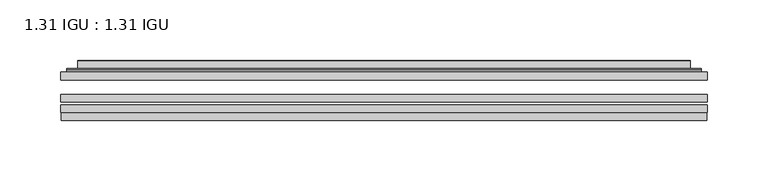
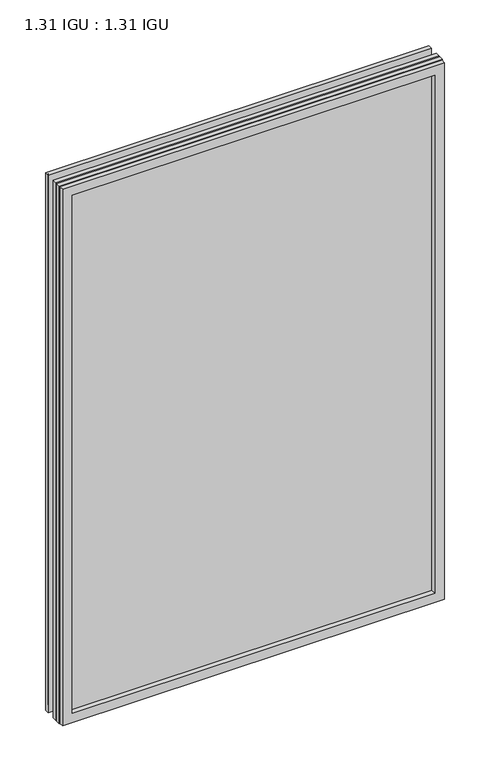
"""IFC4 building model written with IfcOpenShell, lengths in millimetres: plate geometry, 1.31 IGU : 1.31 IGU."""

from ifc_helpers import new_model, si_unit, frame, origin, place, context, project, spatial, polyline, ellipse_curve, outline, extrude, faceted_brep, source, transform, mapped, element, save
from ifc_brep_helpers import plane_surface, cylinder_surface, advanced_brep


def plate_1_31_igu_1_31_igu_0c1957d6(model_context):
    return source(origin(), model_context, "Body", "SolidModel", [
        extrude(outline(polyline([(266.714175, -63.59525), (266.714175, -69.94525), (-266.7, -69.94525), (-266.7, -63.59525), (266.714175, -63.59525)])), frame((0.0, 0.0, -14.2875), z_axis=(0.0, 0.0, 1.0), x_axis=(1.0, 0.0, 0.0)), (0.0, 0.0, 1.0), 790.596575),
        extrude(outline(polyline([(-266.7, -78.58125), (-266.7, -72.230745), (266.714175, -72.230745), (266.714175, -78.58125), (-266.7, -78.58125)])), frame((0.0, 0.0, -14.2875), z_axis=(0.0, 0.0, 1.0), x_axis=(1.0, 0.0, 0.0)), (0.0, 0.0, 1.0), 790.596575),
        extrude(outline(polyline([(266.714175, -45.25645), (266.714175, -51.60645), (-266.7, -51.60645), (-266.7, -45.25645), (266.714175, -45.25645)])), frame((0.0, 0.0, -14.2875), z_axis=(0.0, 0.0, 1.0), x_axis=(1.0, 0.0, 0.0)), (0.0, 0.0, 1.0), 790.596575),
        faceted_brep([(-265.9998142, -84.93125, 775.6050914), (-265.9998142, -78.58125, 775.6050914), (-265.9998142, -78.58125, -13.5873142), (-265.9998142, -84.93125, -13.5873142), (265.9998142, -78.58125, -13.5873142), (265.9998142, -84.93125, -13.5873142), (265.9998142, -78.58125, 775.6050914), (265.9998142, -84.93125, 775.6050914), (-251.5147559, -78.58125, 0.8977441), (251.5147559, -78.58125, 0.8977441), (251.5147559, -78.58125, 761.120033), (-251.5147559, -78.58125, 761.120033), (-252.4071902, -84.93125, 762.0124673), (252.4071902, -84.93125, 762.0124673), (252.4071902, -84.93125, 0.0053098), (-252.4071902, -84.93125, 0.0053098)], [[[0, 1, 2, 3]], [[3, 2, 4, 5]], [[5, 4, 6, 7]], [[1, 6, 4, 2], [8, 9, 10, 11]], [[7, 6, 1, 0]], [[3, 5, 7, 0], [12, 13, 14, 15]], [[11, 12, 15, 8]], [[8, 15, 14, 9]], [[9, 14, 13, 10]], [[10, 13, 12, 11]]]),
        advanced_brep(
        [(-259.458719, -45.25645, 769.0639962), (-261.8129244, -43.2667833, 771.4182015), (-261.8129244, -43.2667833, -9.4004244), (-259.458719, -45.25645, -7.046219), (-250.3843939, -41.416413, 759.9896711), (-245.4495621, -45.25645, 755.0548392), (-245.4495621, -45.25645, 6.9629379), (-250.3843939, -41.416413, 2.0281061), (-251.4164217, -36.0191819, 761.0216988), (-251.4164217, -36.0191819, 0.9960783), (-252.4070784, -35.6202069, 762.0123556), (-252.4070784, -35.6202069, 0.0054216), (-252.4070784, -42.08145, 762.0123556), (-252.4070784, -42.08145, 0.0054216), (-260.8111349, -42.08145, 770.416412), (-260.8111349, -42.08145, -8.3986349), (261.8129244, -43.2667833, -9.4004244), (259.458719, -45.25645, -7.046219), (245.4495621, -45.25645, 6.9629379), (250.3843939, -41.416413, 2.0281061), (251.4164217, -36.0191819, 0.9960783), (252.4070784, -35.6202069, 0.0054216), (252.4070784, -42.08145, 0.0054216), (260.8111349, -42.08145, -8.3986349), (261.8129244, -43.2667833, 771.4182015), (259.458719, -45.25645, 769.0639962), (245.4495621, -45.25645, 755.0548392), (250.3843939, -41.416413, 759.9896711), (251.4164217, -36.0191819, 761.0216988), (252.4070784, -35.6202069, 762.0123556), (252.4070784, -42.08145, 762.0123556), (260.8111349, -42.08145, 770.416412)],
        [
            (0, 1, ellipse_curve(frame((-259.458719, -42.86885, 769.0639962), z_axis=(-0.7071067811865475, 0.0, -0.7071067811865475), x_axis=(-0.7071067811865474, 0.0, 0.7071067811865476)), 3.3765763, 2.3876)),
            (1, 2),
            (2, 3, ellipse_curve(frame((-259.458719, -42.86885, -7.046219), z_axis=(-0.7071067811865475, 0.0, 0.7071067811865475), x_axis=(0.7071067811865474, 0.0, 0.7071067811865476)), 3.3765763, 2.3876)),
            (3, 0),
            (4, 5),
            (5, 6),
            (6, 7),
            (7, 4),
            (8, 4),
            (7, 9),
            (9, 8),
            (10, 8, ellipse_curve(frame((-252.0401219, -36.1384423, 761.645399), z_axis=(-0.7071067811865475, 0.0, -0.7071067811865475), x_axis=(-0.7071067811865474, 0.0, 0.7071067811865476)), 0.8980256, 0.635)),
            (9, 11, ellipse_curve(frame((-252.0401219, -36.1384423, 0.3723781), z_axis=(-0.7071067811865475, 0.0, 0.7071067811865475), x_axis=(0.7071067811865474, 0.0, 0.7071067811865476)), 0.8980256, 0.635)),
            (11, 10),
            (12, 10),
            (11, 13),
            (13, 12),
            (1, 14, ellipse_curve(frame((-260.8111349, -43.09745, 770.416412), z_axis=(-0.7071067811865475, 0.0, -0.7071067811865475), x_axis=(-0.7071067811865474, 0.0, 0.7071067811865476)), 1.436841, 1.016)),
            (14, 15),
            (15, 2, ellipse_curve(frame((-260.8111349, -43.09745, -8.3986349), z_axis=(-0.7071067811865475, 0.0, 0.7071067811865475), x_axis=(0.7071067811865474, 0.0, 0.7071067811865476)), 1.436841, 1.016)),
            (2, 16),
            (16, 17, ellipse_curve(frame((259.458719, -42.86885, -7.046219), z_axis=(-0.7071067811865475, 0.0, -0.7071067811865475), x_axis=(-0.7071067811865476, 0.0, 0.7071067811865474)), 3.3765763, 2.3876)),
            (17, 3),
            (6, 18),
            (18, 19),
            (19, 7),
            (19, 20),
            (20, 9),
            (20, 21, ellipse_curve(frame((252.0401219, -36.1384423, 0.3723781), z_axis=(-0.7071067811865475, 0.0, -0.7071067811865475), x_axis=(-0.7071067811865476, 0.0, 0.7071067811865474)), 0.8980256, 0.635)),
            (21, 11),
            (21, 22),
            (22, 13),
            (15, 23),
            (23, 16, ellipse_curve(frame((260.8111349, -43.09745, -8.3986349), z_axis=(-0.7071067811865475, 0.0, -0.7071067811865475), x_axis=(-0.7071067811865476, 0.0, 0.7071067811865474)), 1.436841, 1.016)),
            (16, 24),
            (24, 25, ellipse_curve(frame((259.458719, -42.86885, 769.0639962), z_axis=(0.7071067811865475, 0.0, -0.7071067811865475), x_axis=(-0.7071067811865474, 0.0, -0.7071067811865476)), 3.3765763, 2.3876)),
            (25, 17),
            (18, 26),
            (26, 27),
            (27, 19),
            (27, 28),
            (28, 20),
            (28, 29, ellipse_curve(frame((252.0401219, -36.1384423, 761.645399), z_axis=(0.7071067811865475, 0.0, -0.7071067811865475), x_axis=(-0.7071067811865474, 0.0, -0.7071067811865476)), 0.8980256, 0.635)),
            (29, 21),
            (29, 30),
            (30, 22),
            (23, 31),
            (31, 24, ellipse_curve(frame((260.8111349, -43.09745, 770.416412), z_axis=(0.7071067811865475, 0.0, -0.7071067811865475), x_axis=(-0.7071067811865474, 0.0, -0.7071067811865476)), 1.436841, 1.016)),
            (24, 1),
            (0, 25),
            (5, 26),
            (4, 27),
            (8, 28),
            (10, 29),
            (12, 30),
            (14, 31),
        ],
        [
            cylinder_surface(frame((-259.458719, -42.86885, 793.7677772), z_axis=(0.0, 0.0, 1.0), x_axis=(-1.0, 0.0, 0.0)), 2.3876),
            plane_surface(frame((-245.4495621, -45.25645, 755.0548392), z_axis=(0.6141233906514794, 0.7892100234124821, 0.0), x_axis=(0.0, 0.0, -1.0))),
            plane_surface(frame((-250.3843939, -41.416413, 759.9896711), z_axis=(0.9822050625507729, 0.18781164793386076, 0.0), x_axis=(0.0, 0.0, -1.0))),
            cylinder_surface(frame((-252.0401219, -36.1384423, 793.7677772), z_axis=(0.0, 0.0, 1.0), x_axis=(-1.0, 0.0, 0.0)), 0.635),
            plane_surface(frame((-252.4070784, -35.6202069, 762.0123556), z_axis=(-1.0, 0.0, 0.0), x_axis=(0.0, 0.0, -1.0))),
            cylinder_surface(frame((-260.8111349, -43.09745, 793.7677772), z_axis=(0.0, 0.0, 1.0), x_axis=(-1.0, 0.0, 0.0)), 1.016),
            cylinder_surface(frame((-284.1625, -42.86885, -7.046219), z_axis=(-1.0, 0.0, 0.0), x_axis=(0.0, 0.0, -1.0)), 2.3876),
            plane_surface(frame((-245.4495621, -45.25645, 6.9629379), z_axis=(0.0, 0.7892100234124841, 0.6141233906514768), x_axis=(1.0, 0.0, 0.0))),
            plane_surface(frame((-250.3843939, -41.416413, 2.0281061), z_axis=(0.0, 0.18781164793386393, 0.9822050625507723), x_axis=(1.0, 0.0, 0.0))),
            cylinder_surface(frame((-284.1625, -36.1384423, 0.3723781), z_axis=(-1.0, 0.0, 0.0), x_axis=(0.0, 0.0, -1.0)), 0.635),
            plane_surface(frame((-252.4070784, -35.6202069, 0.0054216), z_axis=(0.0, 0.0, -1.0), x_axis=(1.0, 0.0, 0.0))),
            cylinder_surface(frame((-284.1625, -43.09745, -8.3986349), z_axis=(-1.0, 0.0, 0.0), x_axis=(0.0, 0.0, -1.0)), 1.016),
            cylinder_surface(frame((259.458719, -42.86885, -31.75), z_axis=(0.0, 0.0, -1.0), x_axis=(1.0, 0.0, 0.0)), 2.3876),
            plane_surface(frame((245.4495621, -45.25645, 6.9629379), z_axis=(-0.6141233906514743, 0.7892100234124861, 0.0), x_axis=(0.0, 0.0, 1.0))),
            plane_surface(frame((250.3843939, -41.416413, 2.0281061), z_axis=(-0.9822050625507718, 0.1878116479338671, 0.0), x_axis=(0.0, 0.0, 1.0))),
            cylinder_surface(frame((252.0401219, -36.1384423, -31.75), z_axis=(0.0, 0.0, -1.0), x_axis=(1.0, 0.0, 0.0)), 0.635),
            plane_surface(frame((252.4070784, -35.6202069, 0.0054216), z_axis=(1.0, 0.0, 0.0), x_axis=(0.0, 0.0, 1.0))),
            cylinder_surface(frame((260.8111349, -43.09745, -31.75), z_axis=(0.0, 0.0, -1.0), x_axis=(1.0, 0.0, 0.0)), 1.016),
            cylinder_surface(frame((284.1625, -42.86885, 769.0639962), z_axis=(1.0, 0.0, 0.0), x_axis=(0.0, 0.0, 1.0)), 2.3876),
            plane_surface(frame((259.458719, -45.25645, 769.0639962), z_axis=(0.0, -1.0, 0.0), x_axis=(-1.0, 0.0, 0.0))),
            plane_surface(frame((245.4495621, -45.25645, 755.0548392), z_axis=(0.0, 0.7892100234124841, -0.6141233906514768), x_axis=(-1.0, 0.0, 0.0))),
            plane_surface(frame((250.3843939, -41.416413, 759.9896711), z_axis=(0.0, 0.18781164793386393, -0.9822050625507723), x_axis=(-1.0, 0.0, 0.0))),
            cylinder_surface(frame((284.1625, -36.1384423, 761.645399), z_axis=(1.0, 0.0, 0.0), x_axis=(0.0, 0.0, 1.0)), 0.635),
            plane_surface(frame((252.4070784, -35.6202069, 762.0123556), z_axis=(0.0, 0.0, 1.0), x_axis=(-1.0, 0.0, 0.0))),
            plane_surface(frame((252.4070784, -42.08145, 762.0123556), z_axis=(0.0, 1.0, 0.0), x_axis=(-1.0, 0.0, 0.0))),
            cylinder_surface(frame((284.1625, -43.09745, 770.416412), z_axis=(1.0, 0.0, 0.0), x_axis=(0.0, 0.0, 1.0)), 1.016),
        ],
        [
            (0, [[1, 2, 3, 4]]),
            (1, [[5, 6, 7, 8]]),
            (2, [[9, -8, 10, 11]]),
            (3, [[12, -11, 13, 14]]),
            (4, [[15, -14, 16, 17]]),
            (5, [[18, 19, 20, -2]]),
            (6, [[-3, 21, 22, 23]]),
            (7, [[-7, 24, 25, 26]]),
            (8, [[-10, -26, 27, 28]]),
            (9, [[-13, -28, 29, 30]]),
            (10, [[-16, -30, 31, 32]]),
            (11, [[-20, 33, 34, -21]]),
            (12, [[-22, 35, 36, 37]]),
            (13, [[-25, 38, 39, 40]]),
            (14, [[-27, -40, 41, 42]]),
            (15, [[-29, -42, 43, 44]]),
            (16, [[-31, -44, 45, 46]]),
            (17, [[-34, 47, 48, -35]]),
            (18, [[-36, 49, -1, 50]]),
            (19, [[-23, -37, -50, -4], [51, -38, -24, -6]]),
            (20, [[-39, -51, -5, 52]]),
            (21, [[-41, -52, -9, 53]]),
            (22, [[-43, -53, -12, 54]]),
            (23, [[-45, -54, -15, 55]]),
            (24, [[56, -47, -33, -19], [-32, -46, -55, -17]]),
            (25, [[-48, -56, -18, -49]]),
        ],
    ),
    ])


if __name__ == "__main__":
    model = new_model("IFC4")
    model_context = context("Model", 3, world=origin())
    ifc_project = project(units=[si_unit("LENGTHUNIT", "METRE", prefix="MILLI")], contexts=[model_context])
    site = spatial("IfcSite", under=ifc_project)
    building = spatial("IfcBuilding", under=site)
    placement = place(None, origin())
    plate_1_31_igu_1_31_igu_shape = plate_1_31_igu_1_31_igu_0c1957d6(model_context)
    element("IfcPlate", 1, ObjectType="1.31 IGU : 1.31 IGU", at=placement, inside=building, context=model_context, shape_type="MappedRepresentation", body=[
        mapped(plate_1_31_igu_1_31_igu_shape, transform((0.0, 0.0, 0.0), x_axis=(1.0, 0.0, 0.0), y_axis=(0.0, 1.0, 0.0), z_axis=(0.0, 0.0, 1.0))),
    ])
    save(model, "model.ifc")
